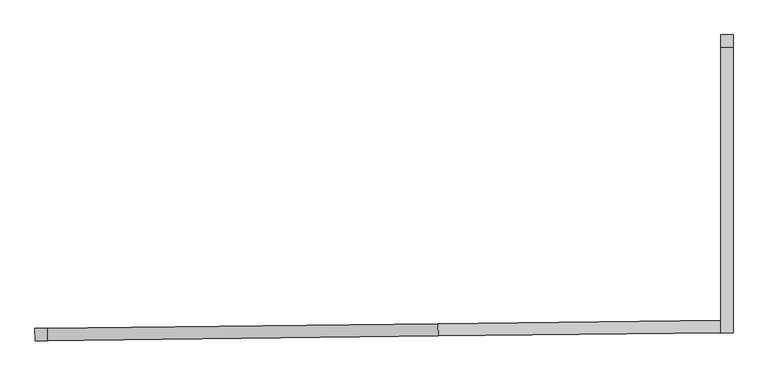
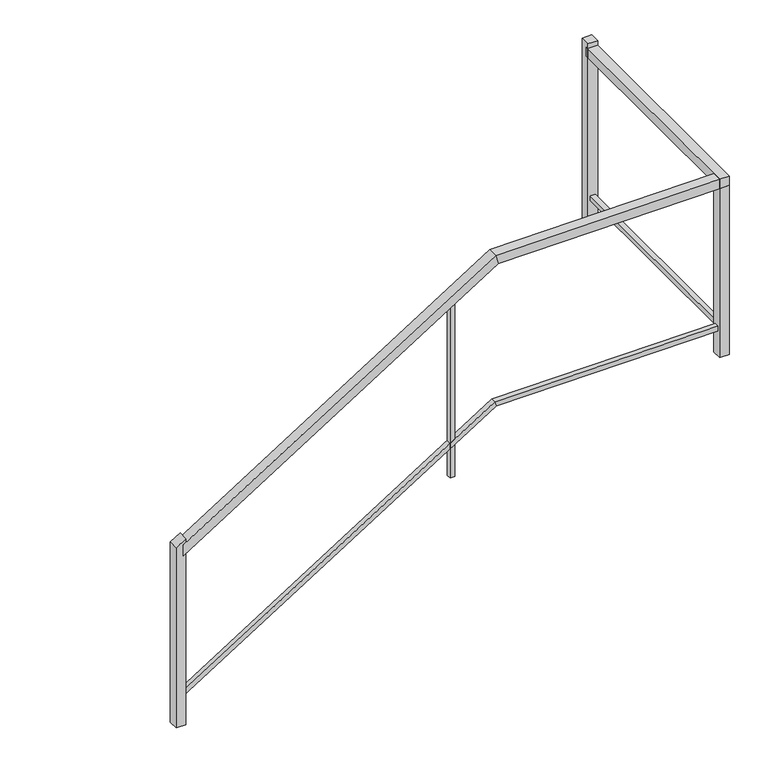
"""IFC4 building model written with IfcOpenShell, lengths in millimetres: railing geometry."""

from ifc_helpers import new_model, si_unit, frame, origin, place, context, project, spatial, polyline, outline, extrude, faceted_brep, source, transform, mapped, element, save


def railing_11f935dc(model_context):
    return source(origin(), model_context, "Body", "SolidModel", [
        faceted_brep([(-19938.9525591, 118183.7770661, -3511.825213), (-19939.5435898, 118234.5736278, -3511.825213), (-19939.5435898, 118234.5736278, -3571.5235346), (-19938.9525591, 118183.7770661, -3571.5235346), (-18314.9684694, 118202.6725291, -2509.3368421), (-18315.5595001, 118253.4690908, -2509.3368421), (-18301.1446369, 118253.6368114, -2560.1368421), (-18300.5536062, 118202.8402497, -2560.1368421), (-17149.2805784, 118216.2356007, -2509.3368421), (-17149.2805784, 118216.2356007, -2560.1368421), (-17149.2805784, 118267.0390392, -2560.1368421), (-17149.2805784, 118267.0390392, -2509.3368421)], [[[0, 1, 2, 3]], [[1, 0, 4, 5]], [[2, 1, 5, 6]], [[3, 2, 6, 7]], [[0, 3, 7, 4]], [[8, 9, 10, 11]], [[5, 4, 8, 11]], [[6, 5, 11, 10]], [[7, 6, 10, 9]], [[4, 7, 9, 8]]]),
        faceted_brep([(-17098.4805784, 118216.8266715, -2509.3368421), (-17149.2805784, 118216.2356007, -2509.3368421), (-17149.2805784, 118216.2356007, -2560.1368421), (-17098.4805784, 118216.8266715, -2560.1368421), (-17098.4805784, 119408.1232174, -2509.3368421), (-17098.4805784, 119408.1232174, -2560.1368421), (-17149.2805784, 119408.1232174, -2560.1368421), (-17149.2805784, 119408.1232174, -2509.3368421)], [[[0, 1, 2, 3]], [[4, 5, 6, 7]], [[1, 0, 4, 7]], [[2, 1, 7, 6]], [[3, 2, 6, 5]], [[0, 3, 5, 4]]]),
        faceted_brep([(-19939.1003168, 118196.4762065, -4324.3497934), (-19939.3958322, 118221.8744874, -4324.3497934), (-19939.3958322, 118221.8744874, -4354.1989542), (-19939.1003168, 118196.4762065, -4354.1989542), (-18311.5125113, 118215.4135997, -3319.6368421), (-18311.8080267, 118240.8118805, -3319.6368421), (-18304.600595, 118240.8957408, -3345.0368421), (-18304.3050797, 118215.49746, -3345.0368421), (-17136.5805784, 118229.084228, -3319.6368421), (-17136.5805784, 118229.084228, -3345.0368421), (-17136.5805784, 118254.4859473, -3345.0368421), (-17136.5805784, 118254.4859473, -3319.6368421)], [[[0, 1, 2, 3]], [[1, 0, 4, 5]], [[2, 1, 5, 6]], [[3, 2, 6, 7]], [[0, 3, 7, 4]], [[8, 9, 10, 11]], [[5, 4, 8, 11]], [[6, 5, 11, 10]], [[7, 6, 10, 9]], [[4, 7, 9, 8]]]),
        faceted_brep([(-17111.1805784, 118229.3797634, -3319.6368421), (-17136.5805784, 118229.084228, -3319.6368421), (-17136.5805784, 118229.084228, -3345.0368421), (-17111.1805784, 118229.3797634, -3345.0368421), (-17111.1805784, 119408.1232174, -3319.6368421), (-17111.1805784, 119408.1232174, -3345.0368421), (-17136.5805784, 119408.1232174, -3345.0368421), (-17136.5805784, 119408.1232174, -3319.6368421)], [[[0, 1, 2, 3]], [[4, 5, 6, 7]], [[1, 0, 4, 7]], [[2, 1, 7, 6]], [[3, 2, 6, 5]], [[0, 3, 5, 4]]]),
        extrude(outline(polyline([(29.8491609, 0.0), (547.1112541, -837.9970214), (525.4972461, -851.3384853), (0.0, 0.0), (29.8491609, 0.0)])), frame((-18518.7174283, 118213.0027184, -2652.1693996), z_axis=(-0.011634463823803625, 0.9999323173352948, 0.0), x_axis=(-0.8508876017831102, -0.00990029109915157, -0.5252544843863206)), (0.0, 0.0, 1.0), 25.4),
        extrude(outline(polyline([(-17149.5743746, 118267.0356208), (-17098.7778129, 118267.6266516), (-17098.1867822, 118216.8300899), (-17148.9833439, 118216.2390591), (-17149.5743746, 118267.0356208)])), frame((0.0, 0.0, -3484.7368421), z_axis=(0.0, 0.0, 1.0), x_axis=(1.0, 0.0, 0.0)), (0.0, 0.0, 1.0), 924.6),
        extrude(outline(polyline([(-17149.2805784, 119395.4232174), (-17149.2805784, 119446.2232174), (-17098.4805784, 119446.2232174), (-17098.4805784, 119395.4232174), (-17149.2805784, 119395.4232174)])), frame((0.0, 0.0, -3484.7368421), z_axis=(0.0, 0.0, 1.0), x_axis=(1.0, 0.0, 0.0)), (0.0, 0.0, 1.0), 1000.9),
        extrude(outline(polyline([(59.6983216, 0.0), (577.1903822, -838.3695828), (533.9623663, -865.0525106), (0.0, 0.0), (59.6983216, 0.0)])), frame((-19926.2534187, 118183.9248238, -3482.935171), z_axis=(-0.011634463823803625, 0.9999323173352948, 0.0), x_axis=(-0.850887601783104, -0.009900291099151496, -0.5252544843863304)), (0.0, 0.0, 1.0), 50.8),
    ])


if __name__ == "__main__":
    model = new_model("IFC4")
    model_context = context("Model", 3, world=origin())
    ifc_project = project(units=[si_unit("LENGTHUNIT", "METRE", prefix="MILLI")], contexts=[model_context])
    site = spatial("IfcSite", under=ifc_project)
    building = spatial("IfcBuilding", under=site)
    placement = place(None, origin())
    railing_shape = railing_11f935dc(model_context)
    element("IfcRailing", 1, at=placement, inside=building, context=model_context, shape_type="MappedRepresentation", body=[
        mapped(railing_shape, transform((0.0, 0.0, 0.0), x_axis=(1.0, 0.0, 0.0), y_axis=(0.0, 1.0, 0.0), z_axis=(0.0, 0.0, 1.0))),
    ])
    save(model, "model.ifc")
